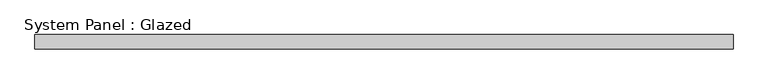
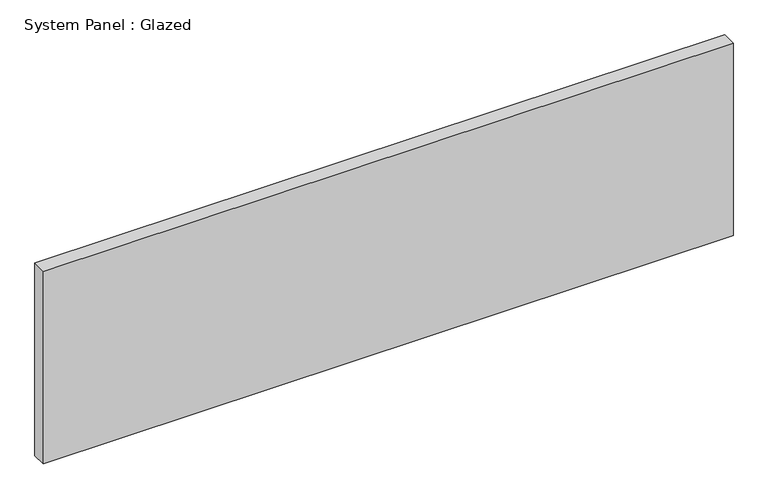
"""IFC4 building model written with IfcOpenShell, lengths in millimetres: plate geometry, System Panel : Glazed."""

from ifc_helpers import new_model, si_unit, origin, origin_with_axes, place, context, project, spatial, polyline, outline, extrude, source, transform, mapped, element, save


def system_panel_glazed_60d5ba1f(model_context):
    return source(origin(), model_context, "Body", "SweptSolid", [
        extrude(outline(polyline([(611.4840124, -12.7), (-611.4840124, -12.7), (-611.4840124, 12.7), (611.4840124, 12.7), (611.4840124, -12.7)])), origin_with_axes(), (0.0, 0.0, 1.0), 361.45),
    ])


if __name__ == "__main__":
    model = new_model("IFC4")
    model_context = context("Model", 3, world=origin())
    ifc_project = project(units=[si_unit("LENGTHUNIT", "METRE", prefix="MILLI")], contexts=[model_context])
    site = spatial("IfcSite", under=ifc_project)
    building = spatial("IfcBuilding", under=site)
    placement = place(None, origin())
    system_panel_glazed_shape = system_panel_glazed_60d5ba1f(model_context)
    element("IfcPlate", 1, ObjectType="System Panel : Glazed", at=placement, inside=building, context=model_context, shape_type="MappedRepresentation", body=[
        mapped(system_panel_glazed_shape, transform((0.0, 0.0, 0.0), x_axis=(1.0, 0.0, 0.0), y_axis=(0.0, 1.0, 0.0), z_axis=(0.0, 0.0, 1.0))),
    ])
    save(model, "model.ifc")
